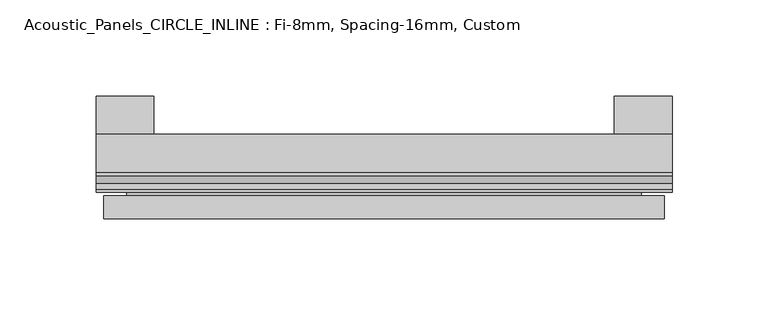
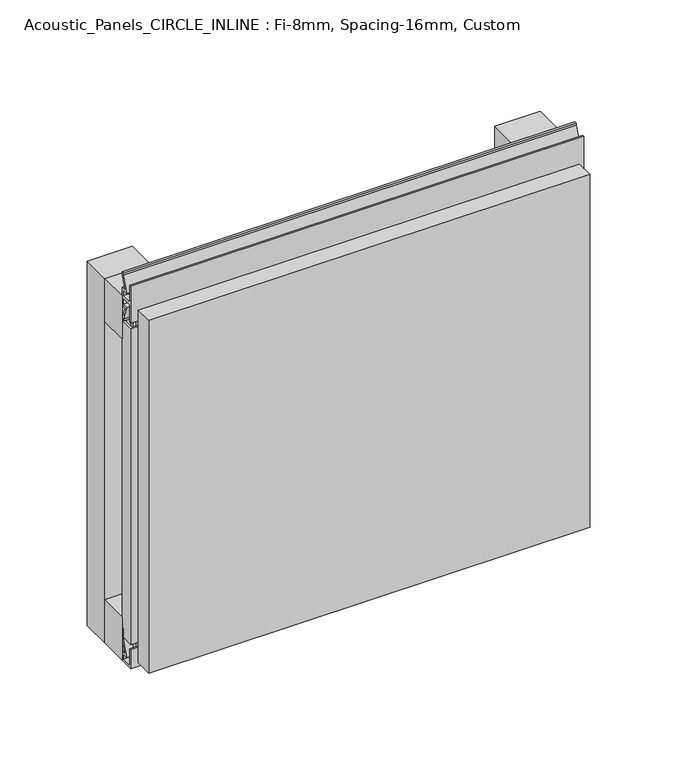
"""IFC4 building model written with IfcOpenShell, lengths in millimetres: plate geometry, Acoustic_Panels_CIRCLE_INLINE : Fi-8mm, Spacing-16mm, Custom."""

from ifc_helpers import new_model, si_unit, frame, origin, origin_with_axes, place, context, project, spatial, polyline, outline, extrude, faceted_brep, source, transform, mapped, element, save


def acoustic_panels_circle_inline_fi_8mm_spacing_16mm_custom_af3a5edc(model_context):
    return source(origin(), model_context, "Body", "SolidModel", [
        extrude(outline(polyline([(-150.0, -40.0), (-150.0, -20.0), (150.0, -20.0), (150.0, -40.0), (-150.0, -40.0)])), frame((0.0, 0.0, 225.0), z_axis=(0.0, 0.0, 1.0), x_axis=(1.0, 0.0, 0.0)), (0.0, 0.0, 1.0), 30.0),
        extrude(outline(polyline([(-150.0, -40.0), (-150.0, -20.0), (150.0, -20.0), (150.0, -40.0), (-150.0, -40.0)])), origin_with_axes(), (0.0, 0.0, 1.0), 30.0),
        extrude(outline(polyline([(120.0, 0.0), (150.0, 0.0), (150.0, -20.0), (120.0, -20.0), (120.0, 0.0)])), origin_with_axes(), (0.0, 0.0, 1.0), 255.0),
        extrude(outline(polyline([(-120.0, 0.0), (-120.0, -20.0), (-150.0, -20.0), (-150.0, 0.0), (-120.0, 0.0)])), origin_with_axes(), (0.0, 0.0, 1.0), 255.0),
        extrude(outline(polyline([(-40.0, 6.299084), (-40.0, 0.0), (-50.1, 0.0), (-50.1, 13.4156807), (-48.7, 13.4156807), (-48.7, 1.4156807), (-41.4, 1.4156807), (-41.4, 4.899084), (-45.5140545, 4.899084), (-41.4553267, 15.5703394), (-41.4553267, 22.991548), (-40.0553267, 22.991548), (-40.0553267, 15.3558599), (-43.5, 6.299084), (-40.0, 6.299084)])), frame((-150.0, 0.0, 0.0), z_axis=(1.0, 0.0, 0.0), x_axis=(0.0, 1.0, 0.0)), (0.0, 0.0, 1.0), 300.0),
        extrude(outline(polyline([(-143.700916, -40.0), (-143.700916, -43.5), (-134.6441401, -40.0553267), (-127.008452, -40.0553267), (-127.008452, -41.4553267), (-134.4296606, -41.4553267), (-145.100916, -45.5140545), (-145.100916, -41.4), (-148.5843193, -41.4), (-148.5843193, -48.7), (-136.5843193, -48.7), (-136.5843193, -50.1), (-150.0, -50.1), (-150.0, -40.0), (-143.700916, -40.0)])), frame((0.0, 0.0, 16.9558599), z_axis=(0.0, 0.0, 1.0), x_axis=(1.0, 0.0, 0.0)), (0.0, 0.0, 1.0), 221.0882802),
        extrude(outline(polyline([(-48.7, 255.899084), (-41.4, 255.899084), (-41.4, 259.899084), (-45.5140545, 259.899084), (-41.4553267, 270.5703394), (-41.4553267, 271.9558599), (-40.0553267, 271.9558599), (-40.0553267, 270.3558599), (-43.5, 261.299084), (-40.0, 261.299084), (-40.0, 248.700916), (-43.5, 248.700916), (-40.0553267, 239.6441401), (-40.0553267, 238.0441401), (-41.4553267, 238.0441401), (-41.4553267, 239.4296606), (-45.5140545, 250.100916), (-41.4, 250.100916), (-41.4, 254.100916), (-48.7, 254.100916), (-48.7, 242.100916), (-50.1, 242.100916), (-50.1, 267.899084), (-48.7, 267.899084), (-48.7, 255.899084)])), frame((-150.0, 0.0, 0.0), z_axis=(1.0, 0.0, 0.0), x_axis=(0.0, 1.0, 0.0)), (0.0, 0.0, 1.0), 300.0),
        faceted_brep([(146.0, -45.9, 251.0), (-146.0, -45.9, 251.0), (-146.0, -48.7, 251.0), (146.0, -48.7, 251.0), (-146.0, -63.9, 251.0), (146.0, -63.9, 251.0), (146.0, -51.9, 251.0), (-146.0, -51.9, 251.0), (-146.0, -45.9, 4.0), (146.0, -45.9, 4.0), (146.0, -48.7, 4.0), (-146.0, -48.7, 4.0), (146.0, -63.9, 4.0), (-146.0, -63.9, 4.0), (-146.0, -51.9, 4.0), (146.0, -51.9, 4.0), (134.0, -51.9, 239.0), (134.0, -51.9, 16.0), (134.0, -48.7, 16.0), (134.0, -48.7, 239.0), (-134.0, -51.9, 16.0), (-134.0, -48.7, 16.0), (-134.0, -51.9, 239.0), (-134.0, -48.7, 239.0)], [[[0, 1, 2, 3]], [[4, 5, 6, 7]], [[8, 9, 10, 11]], [[12, 13, 14, 15]], [[1, 0, 9, 8]], [[1, 8, 11, 2]], [[13, 4, 7, 14]], [[5, 4, 13, 12]], [[9, 0, 3, 10]], [[5, 12, 15, 6]], [[16, 17, 18, 19]], [[18, 17, 20, 21]], [[21, 20, 22, 23]], [[16, 19, 23, 22]], [[7, 6, 15, 14], [17, 16, 22, 20]], [[3, 2, 11, 10], [19, 18, 21, 23]]]),
    ])


if __name__ == "__main__":
    model = new_model("IFC4")
    model_context = context("Model", 3, world=origin())
    ifc_project = project(units=[si_unit("LENGTHUNIT", "METRE", prefix="MILLI")], contexts=[model_context])
    site = spatial("IfcSite", under=ifc_project)
    building = spatial("IfcBuilding", under=site)
    placement = place(None, origin())
    acoustic_panels_circle_inline_fi_8mm_spacing_16mm_custom_shape = acoustic_panels_circle_inline_fi_8mm_spacing_16mm_custom_af3a5edc(model_context)
    element("IfcPlate", 1, ObjectType="Acoustic_Panels_CIRCLE_INLINE : Fi-8mm, Spacing-16mm, Custom", at=placement, inside=building, context=model_context, shape_type="MappedRepresentation", body=[
        mapped(acoustic_panels_circle_inline_fi_8mm_spacing_16mm_custom_shape, transform((0.0, 0.0, 0.0), x_axis=(1.0, 0.0, 0.0), y_axis=(0.0, 1.0, 0.0), z_axis=(0.0, 0.0, 1.0))),
    ])
    save(model, "model.ifc")
